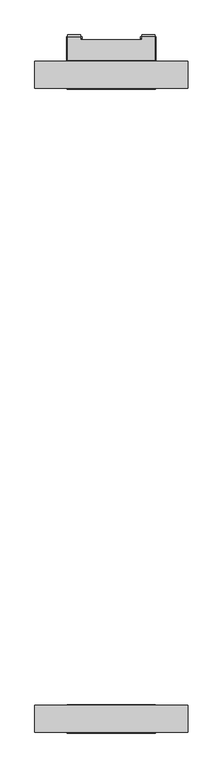
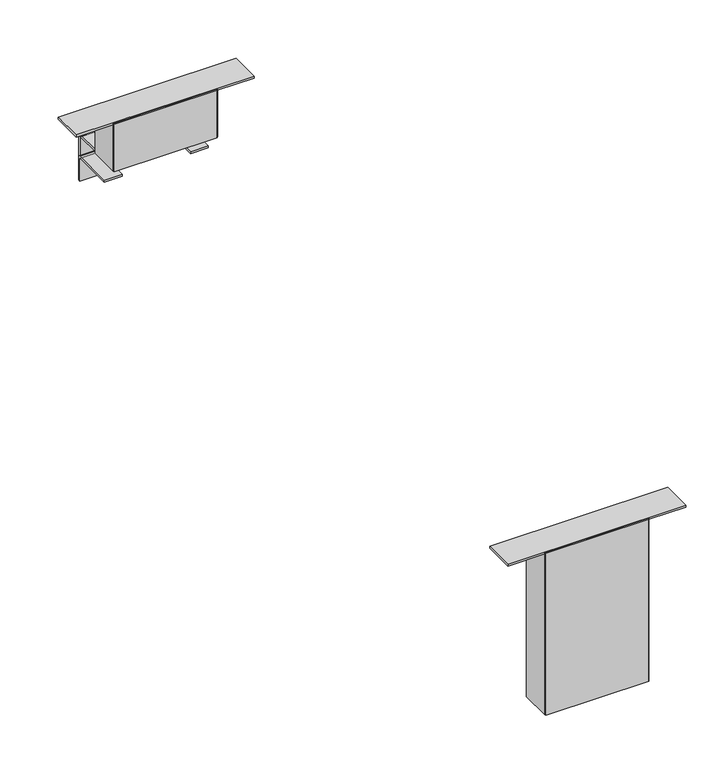
"""IFC4 building model written with IfcOpenShell, lengths in millimetres: furniture geometry."""

from ifc_helpers import new_model, si_unit, point, frame, frame_2d, origin, place, context, project, spatial, polyline, circle_curve, trimmed, segment, composite_curve, outline, extrude, faceted_brep, source, transform, mapped, element, save
from ifc_brep_helpers import plane_surface, cylinder_surface, revolved_surface, advanced_brep


def furniture_ea2a97ad(model_context):
    return source(origin(), model_context, "Body", "SolidModel", [
        faceted_brep([(295.5643355, -1135.8626611, 551.4508864), (296.5803346, -1136.8786601, 551.4508864), (296.5803346, -1181.9890562, 551.4508864), (295.5643355, -1183.0050552, 551.4508864), (148.8539319, -1183.0050552, 551.4508864), (147.8379329, -1181.9890562, 551.4508864), (147.8379329, -1136.8786601, 551.4508864), (148.8539319, -1135.8626611, 551.4508864), (295.5643355, -1135.8626611, 795.6626152), (148.8539319, -1135.8626611, 795.6626152), (147.8379329, -1136.8786601, 795.6626152), (147.8379329, -1137.2088589, 795.6626152), (296.5803346, -1137.2088589, 795.6626152), (296.5803346, -1136.8786601, 795.6626152), (147.8379329, -1181.9890562, 795.6626152), (148.8539319, -1183.0050552, 795.6626152), (295.5643355, -1183.0050552, 795.6626152), (296.5803346, -1181.9890562, 795.6626152), (296.5803346, -1181.6588619, 795.6626152), (147.8379329, -1181.6588619, 795.6626152), (296.5803346, -1137.2088589, 794.1386529), (296.5803346, -1181.6588619, 794.1386529), (147.8379329, -1181.6588619, 794.1386529), (147.8379329, -1137.2088589, 794.1386529), (349.2091352, -1137.2088589, 797.18665), (349.2091352, -1181.6588619, 797.18665), (349.2091352, -1181.6588619, 794.1386529), (349.2091352, -1137.2088589, 794.1386529), (95.2091322, -1137.2088589, 797.18665), (95.2091322, -1137.2088589, 794.1386529), (95.2091322, -1181.6588619, 794.1386529), (95.2091322, -1181.6588619, 797.18665)], [[[0, 1, 2, 3, 4, 5, 6, 7]], [[8, 9, 10, 11, 12, 13]], [[14, 15, 16, 17, 18, 19]], [[1, 0, 8, 13]], [[2, 1, 13, 12, 20, 21, 18, 17]], [[3, 2, 17, 16]], [[4, 3, 16, 15]], [[5, 4, 15, 14]], [[6, 5, 14, 19, 22, 23, 11, 10]], [[7, 6, 10, 9]], [[0, 7, 9, 8]], [[24, 25, 26, 27]], [[28, 29, 30, 31]], [[25, 24, 28, 31]], [[26, 25, 31, 30, 22, 19, 18, 21]], [[27, 26, 21, 20]], [[30, 29, 23, 22]], [[24, 27, 20, 12, 11, 23, 29, 28]]]),
        extrude(outline(composite_curve([segment(polyline([(-92.1582465, 697.2249464), (-32.308182, 697.2249464)]), True, "CONTINUOUS"), segment(trimmed(circle_curve(frame_2d((-32.308182, 693.5806647)), 3.6442816), [point((-32.308182, 697.2249464))], [point((-28.6639004, 693.5806647))], False, "CARTESIAN"), True, "CONTINUOUS"), segment(polyline([(-28.6639004, 693.5806647), (-28.6639004, 659.1375909), (-31.7118997, 659.1375909), (-31.7118997, 692.4814463)]), True, "CONTINUOUS"), segment(trimmed(circle_curve(frame_2d((-33.4074027, 692.4814463)), 1.695503), [point((-31.7118997, 692.4814463))], [point((-33.4074027, 694.1769493))], True, "CARTESIAN"), True, "CONTINUOUS"), segment(polyline([(-33.4074027, 694.1769493), (-92.1582465, 694.1769493), (-92.1582465, 697.2249464)]), True, "CONTINUOUS")], self_intersect=False)), frame((270.9517209, 0.0, 0.0), z_axis=(1.0, 0.0, 0.0), x_axis=(0.0, 1.0, 0.0)), (0.0, 0.0, 1.0), 25.4000121),
        extrude(outline(composite_curve([segment(polyline([(-92.1582465, 697.2249464), (-32.308182, 697.2249464)]), True, "CONTINUOUS"), segment(trimmed(circle_curve(frame_2d((-32.308182, 693.5806647)), 3.6442816), [point((-32.308182, 697.2249464))], [point((-28.6639004, 693.5806647))], False, "CARTESIAN"), True, "CONTINUOUS"), segment(polyline([(-28.6639004, 693.5806647), (-28.6639004, 659.1375909), (-31.7118997, 659.1375909), (-31.7118997, 692.4814463)]), True, "CONTINUOUS"), segment(trimmed(circle_curve(frame_2d((-33.4074027, 692.4814463)), 1.695503), [point((-31.7118997, 692.4814463))], [point((-33.4074027, 694.1769493))], True, "CARTESIAN"), True, "CONTINUOUS"), segment(polyline([(-33.4074027, 694.1769493), (-92.1582465, 694.1769493), (-92.1582465, 697.2249464)]), True, "CONTINUOUS")], self_intersect=False)), frame((148.0665254, 0.0, 0.0), z_axis=(1.0, 0.0, 0.0), x_axis=(0.0, 1.0, 0.0)), (0.0, 0.0, 1.0), 25.4000121),
        advanced_brep(
        [(171.5615303, -28.6639004, 722.2171031), (171.5615303, -28.6639004, 659.1375909), (171.5615303, -25.615901, 659.1375909), (171.5615303, -25.615901, 723.6109444), (171.5615303, -28.9605737, 726.9556171), (171.5615303, -33.2359006, 726.9556171), (171.5615303, -33.2359006, 723.90762), (171.5615303, -30.3544173, 723.90762), (149.9715327, -28.6639004, 722.2171031), (149.9715327, -30.3544173, 723.90762), (149.9715327, -68.338702, 723.90762), (149.9715327, -68.338702, 726.9556171), (149.9715327, -28.9605737, 726.9556171), (149.9715327, -25.615901, 723.6109444), (149.9715327, -25.615901, 659.1375909), (149.9715327, -28.6639004, 659.1375909), (294.4467257, -68.338702, 726.9556171), (294.4467257, -28.9605737, 726.9556171), (272.8567281, -28.9605737, 726.9556171), (272.8567281, -33.2359006, 726.9556171), (272.8567281, -33.2359006, 723.90762), (272.8567281, -30.3544173, 723.90762), (294.4467257, -30.3544173, 723.90762), (294.4467257, -68.338702, 723.90762), (295.5643355, -68.338702, 723.90762), (296.5803346, -69.3547011, 723.90762), (296.5803346, -114.4650971, 723.90762), (295.5643355, -115.4810961, 723.90762), (148.8539319, -115.4810961, 723.90762), (147.8379329, -114.4650971, 723.90762), (147.8379329, -69.3547011, 723.90762), (148.8539319, -68.338702, 723.90762), (294.4467257, -28.6639004, 722.2171031), (294.4467257, -28.6639004, 659.1375909), (294.4467257, -25.615901, 659.1375909), (294.4467257, -25.615901, 723.6109444), (272.8567281, -28.6639004, 722.2171031), (272.8567281, -25.615901, 723.6109444), (272.8567281, -25.615901, 659.1375909), (272.8567281, -28.6639004, 659.1375909), (295.5643355, -68.338702, 795.6626152), (148.8539319, -68.338702, 795.6626152), (147.8379329, -69.3547011, 795.6626152), (147.8379329, -69.6848999, 795.6626152), (296.5803346, -69.6848999, 795.6626152), (296.5803346, -69.3547011, 795.6626152), (147.8379329, -114.4650971, 795.6626152), (148.8539319, -115.4810961, 795.6626152), (295.5643355, -115.4810961, 795.6626152), (296.5803346, -114.4650971, 795.6626152), (296.5803346, -114.1349029, 795.6626152), (147.8379329, -114.1349029, 795.6626152), (296.5803346, -69.6848999, 794.1386529), (296.5803346, -114.1349029, 794.1386529), (147.8379329, -114.1349029, 794.1386529), (147.8379329, -69.6848999, 794.1386529), (349.2091352, -69.6848999, 797.18665), (349.2091352, -114.1349029, 797.18665), (349.2091352, -114.1349029, 794.1386529), (349.2091352, -69.6848999, 794.1386529), (95.2091322, -69.6848999, 797.18665), (95.2091322, -69.6848999, 794.1386529), (95.2091322, -114.1349029, 794.1386529), (95.2091322, -114.1349029, 797.18665)],
        [
            (0, 1),
            (1, 2),
            (2, 3),
            (3, 4, circle_curve(frame((171.5615303, -28.9605737, 723.6109444), z_axis=(1.0, 0.0, 0.0), x_axis=(0.0, 1.0, 0.0)), 3.3446727)),
            (4, 5),
            (5, 6),
            (6, 7),
            (7, 0, circle_curve(frame((171.5615303, -30.3544173, 722.2171031), z_axis=(-1.0, 0.0, 0.0), x_axis=(0.0, 1.0, 0.0)), 1.6905169)),
            (8, 9, circle_curve(frame((149.9715327, -30.3544173, 722.2171031), z_axis=(1.0, 0.0, 0.0), x_axis=(0.0, 1.0, 0.0)), 1.6905169)),
            (9, 10),
            (10, 11),
            (11, 12),
            (12, 13, circle_curve(frame((149.9715327, -28.9605737, 723.6109444), z_axis=(-1.0, 0.0, 0.0), x_axis=(0.0, 1.0, 0.0)), 3.3446727)),
            (13, 14),
            (14, 15),
            (15, 8),
            (0, 8),
            (15, 1),
            (14, 2),
            (13, 3),
            (12, 4),
            (11, 16),
            (16, 17),
            (17, 18),
            (18, 19),
            (19, 5),
            (6, 20),
            (20, 21),
            (21, 22),
            (22, 23),
            (23, 24),
            (24, 25),
            (25, 26),
            (26, 27),
            (27, 28),
            (28, 29),
            (29, 30),
            (30, 31),
            (31, 10),
            (9, 7),
            (32, 33),
            (33, 34),
            (34, 35),
            (35, 17, circle_curve(frame((294.4467257, -28.9605737, 723.6109444), z_axis=(1.0, 0.0, 0.0), x_axis=(0.0, 1.0, 0.0)), 3.3446727)),
            (16, 23),
            (22, 32, circle_curve(frame((294.4467257, -30.3544173, 722.2171031), z_axis=(-1.0, 0.0, 0.0), x_axis=(0.0, 1.0, 0.0)), 1.6905169)),
            (19, 20),
            (36, 21, circle_curve(frame((272.8567281, -30.3544173, 722.2171031), z_axis=(1.0, 0.0, 0.0), x_axis=(0.0, 1.0, 0.0)), 1.6905169)),
            (18, 37, circle_curve(frame((272.8567281, -28.9605737, 723.6109444), z_axis=(-1.0, 0.0, 0.0), x_axis=(0.0, 1.0, 0.0)), 3.3446727)),
            (37, 38),
            (38, 39),
            (39, 36),
            (39, 33),
            (32, 36),
            (38, 34),
            (37, 35),
            (40, 41),
            (41, 42),
            (42, 43),
            (43, 44),
            (44, 45),
            (45, 40),
            (46, 47),
            (47, 48),
            (48, 49),
            (49, 50),
            (50, 51),
            (51, 46),
            (24, 40),
            (45, 25),
            (44, 52),
            (52, 53),
            (53, 50),
            (49, 26),
            (48, 27),
            (47, 28),
            (46, 29),
            (51, 54),
            (54, 55),
            (55, 43),
            (42, 30),
            (41, 31),
            (56, 57),
            (57, 58),
            (58, 59),
            (59, 56),
            (60, 61),
            (61, 62),
            (62, 63),
            (63, 60),
            (56, 60),
            (63, 57),
            (62, 54),
            (53, 58),
            (52, 59),
            (61, 55),
        ],
        [
            plane_surface(frame((171.5615303, -28.6639004, 722.2171031), z_axis=(1.0, 0.0, 0.0), x_axis=(0.0, 0.0, -1.0))),
            plane_surface(frame((149.9715327, -28.6639004, 722.2171031), z_axis=(-1.0, 0.0, 0.0), x_axis=(0.0, 0.0, 1.0))),
            plane_surface(frame((149.9715327, -28.6639004, 659.1375909), z_axis=(0.0, -1.0, 0.0), x_axis=(1.0, 0.0, 0.0))),
            plane_surface(frame((149.9715327, -25.615901, 659.1375909), z_axis=(0.0, 0.0, -1.0), x_axis=(1.0, 0.0, 0.0))),
            plane_surface(frame((149.9715327, -25.615901, 723.6109444), z_axis=(0.0, 1.0, 0.0), x_axis=(1.0, 0.0, 0.0))),
            cylinder_surface(frame((171.5615303, -28.9605737, 723.6109444), z_axis=(-1.0, 0.0, 0.0), x_axis=(0.0, 1.0, 0.0)), 3.3446727),
            plane_surface(frame((149.9715327, -33.2359006, 726.9556171), z_axis=(0.0, 0.0, 1.0), x_axis=(1.0, 0.0, 0.0))),
            plane_surface(frame((149.9715327, -30.3544173, 723.90762), z_axis=(0.0, 0.0, -1.0), x_axis=(1.0, 0.0, 0.0))),
            revolved_surface(polyline([(171.5615303, -28.663900400000003, 722.2171031), (149.9715327, -28.663900400000003, 722.2171031)]), (171.5615303, -30.3544173, 722.2171031), (1.0, 0.0, 0.0)),
            plane_surface(frame((294.4467257, -114.2110974, 726.9556171), z_axis=(1.0, 0.0, 0.0), x_axis=(0.0, -1.0, 0.0))),
            plane_surface(frame((294.4467257, -33.2359006, 723.90762), z_axis=(0.0, 1.0, 0.0), x_axis=(-1.0, 0.0, 0.0))),
            plane_surface(frame((272.8567281, -28.6639004, 659.1375909), z_axis=(-1.0, 0.0, 0.0), x_axis=(0.0, 0.0, 1.0))),
            plane_surface(frame((294.4467257, -28.6639004, 722.2171031), z_axis=(0.0, -1.0, 0.0), x_axis=(-1.0, 0.0, 0.0))),
            plane_surface(frame((294.4467257, -28.6639004, 659.1375909), z_axis=(0.0, 0.0, -1.0), x_axis=(-1.0, 0.0, 0.0))),
            plane_surface(frame((294.4467257, -25.615901, 659.1375909), z_axis=(0.0, 1.0, 0.0), x_axis=(-1.0, 0.0, 0.0))),
            cylinder_surface(frame((272.8567281, -28.9605737, 723.6109444), z_axis=(1.0, 0.0, 0.0), x_axis=(0.0, 1.0, 0.0)), 3.3446727),
            revolved_surface(polyline([(272.8567281, -28.663900400000003, 722.2171031), (294.4467257, -28.663900400000003, 722.2171031)]), (272.8567281, -30.3544173, 722.2171031), (-1.0, 0.0, 0.0)),
            plane_surface(frame((295.5643355, -68.338702, 795.6626152), z_axis=(0.0, 0.0, 1.0000000000000002), x_axis=(-0.7071067811865476, 0.7071067811865476, 0.0))),
            plane_surface(frame((295.5643355, -68.338702, 723.90762), z_axis=(0.7071067811865476, 0.7071067811865476, 0.0), x_axis=(0.0, 0.0, 1.0))),
            plane_surface(frame((296.5803346, -69.3547011, 723.90762), z_axis=(1.0, 0.0, 0.0), x_axis=(0.0, 0.0, 1.0))),
            plane_surface(frame((296.5803346, -114.4650971, 723.90762), z_axis=(0.7071067811865476, -0.7071067811865476, 0.0), x_axis=(0.0, 0.0, 1.0))),
            plane_surface(frame((295.5643355, -115.4810961, 723.90762), z_axis=(0.0, -1.0, 0.0), x_axis=(0.0, 0.0, 1.0))),
            plane_surface(frame((148.8539319, -115.4810961, 723.90762), z_axis=(-0.7071067811865476, -0.7071067811865476, 0.0), x_axis=(0.0, 0.0, 1.0))),
            plane_surface(frame((147.8379329, -114.4650971, 723.90762), z_axis=(-1.0, 0.0, 0.0), x_axis=(0.0, 0.0, 1.0))),
            plane_surface(frame((147.8379329, -69.3547011, 723.90762), z_axis=(-0.7071067811865476, 0.7071067811865476, 0.0), x_axis=(0.0, 0.0, 1.0))),
            plane_surface(frame((148.8539319, -68.338702, 723.90762), z_axis=(0.0, 1.0, 0.0), x_axis=(0.0, 0.0, 1.0))),
            plane_surface(frame((349.2091352, -114.1349029, 797.18665), z_axis=(1.0, 0.0, 0.0), x_axis=(0.0, -1.0, 0.0))),
            plane_surface(frame((95.2091322, -114.1349029, 797.18665), z_axis=(-1.0, 0.0, 0.0), x_axis=(0.0, 1.0, 0.0))),
            plane_surface(frame((349.2091352, -69.6848999, 797.18665), z_axis=(0.0, 0.0, 1.0), x_axis=(-1.0, 0.0, 0.0))),
            plane_surface(frame((349.2091352, -114.1349029, 797.18665), z_axis=(0.0, -1.0, 0.0), x_axis=(-1.0, 0.0, 0.0))),
            plane_surface(frame((349.2091352, -114.1349029, 794.1386529), z_axis=(0.0, 0.0, -1.0), x_axis=(-1.0, 0.0, 0.0))),
            plane_surface(frame((349.2091352, -69.6848999, 794.1386529), z_axis=(0.0, 1.0, 0.0), x_axis=(-1.0, 0.0, 0.0))),
        ],
        [
            (0, [[1, 2, 3, 4, 5, 6, 7, 8]]),
            (1, [[9, 10, 11, 12, 13, 14, 15, 16]]),
            (2, [[-1, 17, -16, 18]]),
            (3, [[-2, -18, -15, 19]]),
            (4, [[-3, -19, -14, 20]]),
            (5, [[-4, -20, -13, 21]]),
            (6, [[-5, -21, -12, 22, 23, 24, 25, 26]]),
            (7, [[-7, 27, 28, 29, 30, 31, 32, 33, 34, 35, 36, 37, 38, 39, -10, 40]]),
            (8, [[-8, -40, -9, -17]]),
            (9, [[41, 42, 43, 44, -23, 45, -30, 46]]),
            (10, [[-6, -26, 47, -27]]),
            (11, [[48, -28, -47, -25, 49, 50, 51, 52]]),
            (12, [[-52, 53, -41, 54]]),
            (13, [[-51, 55, -42, -53]]),
            (14, [[-50, 56, -43, -55]]),
            (15, [[-49, -24, -44, -56]]),
            (16, [[-48, -54, -46, -29]]),
            (17, [[57, 58, 59, 60, 61, 62]]),
            (17, [[63, 64, 65, 66, 67, 68]]),
            (18, [[-32, 69, -62, 70]]),
            (19, [[-33, -70, -61, 71, 72, 73, -66, 74]]),
            (20, [[-34, -74, -65, 75]]),
            (21, [[-35, -75, -64, 76]]),
            (22, [[-36, -76, -63, 77]]),
            (23, [[-37, -77, -68, 78, 79, 80, -59, 81]]),
            (24, [[-38, -81, -58, 82]]),
            (25, [[-57, -69, -31, -45, -22, -11, -39, -82]]),
            (26, [[83, 84, 85, 86]]),
            (27, [[87, 88, 89, 90]]),
            (28, [[-83, 91, -90, 92]]),
            (29, [[-84, -92, -89, 93, -78, -67, -73, 94]]),
            (30, [[-85, -94, -72, 95]]),
            (30, [[-88, 96, -79, -93]]),
            (31, [[-86, -95, -71, -60, -80, -96, -87, -91]]),
        ],
    ),
    ])


if __name__ == "__main__":
    model = new_model("IFC4")
    model_context = context("Model", 3, world=origin())
    ifc_project = project(units=[si_unit("LENGTHUNIT", "METRE", prefix="MILLI")], contexts=[model_context])
    site = spatial("IfcSite", under=ifc_project)
    building = spatial("IfcBuilding", under=site)
    placement = place(None, origin())
    furniture_shape = furniture_ea2a97ad(model_context)
    element("IfcFurniture", 1, at=placement, inside=building, context=model_context, shape_type="MappedRepresentation", body=[
        mapped(furniture_shape, transform((0.0, 0.0, 0.0), x_axis=(1.0, 0.0, 0.0), y_axis=(0.0, 1.0, 0.0), z_axis=(0.0, 0.0, 1.0))),
    ])
    save(model, "model.ifc")
